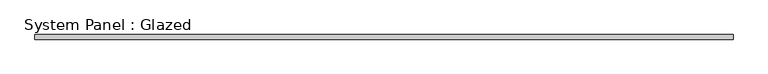
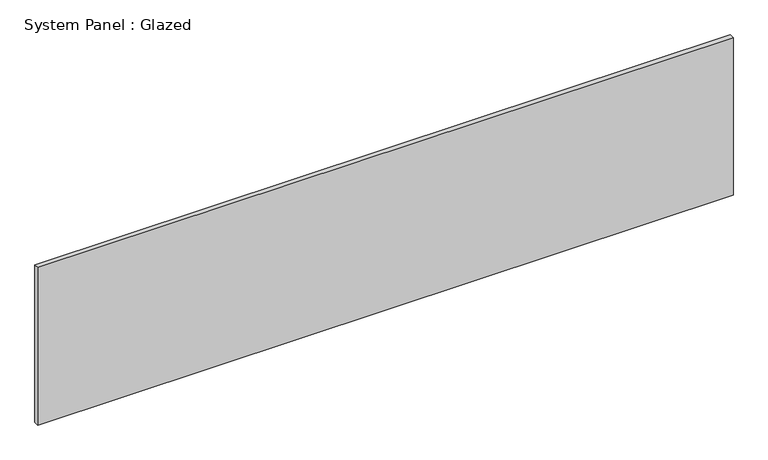
"""IFC4 building model written with IfcOpenShell, lengths in millimetres: plate geometry, System Panel : Glazed."""

from ifc_helpers import new_model, si_unit, origin, origin_with_axes, place, context, project, spatial, polyline, outline, extrude, source, transform, mapped, element, save


def system_panel_glazed_0fe20174(model_context):
    return source(origin(), model_context, "Body", "SweptSolid", [
        extrude(outline(polyline([(1878.0804359, 24.5), (-1878.0804359, 24.5), (-1878.0804359, 49.5), (1878.0804359, 49.5), (1878.0804359, 24.5)])), origin_with_axes(), (0.0, 0.0, 1.0), 900.0),
    ])


if __name__ == "__main__":
    model = new_model("IFC4")
    model_context = context("Model", 3, world=origin())
    ifc_project = project(units=[si_unit("LENGTHUNIT", "METRE", prefix="MILLI")], contexts=[model_context])
    site = spatial("IfcSite", under=ifc_project)
    building = spatial("IfcBuilding", under=site)
    placement = place(None, origin())
    system_panel_glazed_shape = system_panel_glazed_0fe20174(model_context)
    element("IfcPlate", 1, ObjectType="System Panel : Glazed", at=placement, inside=building, context=model_context, shape_type="MappedRepresentation", body=[
        mapped(system_panel_glazed_shape, transform((0.0, 0.0, 0.0), x_axis=(1.0, 0.0, 0.0), y_axis=(0.0, 1.0, 0.0), z_axis=(0.0, 0.0, 1.0))),
    ])
    save(model, "model.ifc")
